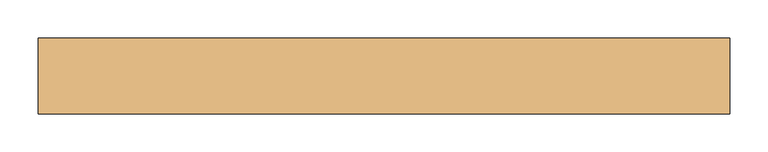
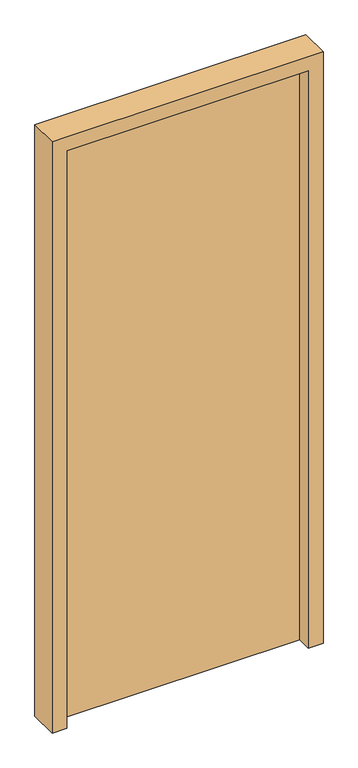
"""IFC4 building model written with IfcOpenShell, lengths in millimetres: door geometry."""

import ifcopenshell
import ifcopenshell.guid

model = None  # the IFC model being written
_history = None  # IfcOwnerHistory: only IFC2X3 demands one
_inside = {}  # id of a spatial element -> (the spatial element, [elements in it])
_under = {}  # id of a project, library or spatial element -> (it, [spatial elements below it])
_declared = {}  # id of a project -> (the project, [libraries it declares])
_typed = {}  # id of a type object -> (the type object, [elements of that type])
_made_of = {}  # id of a material, layer set ... -> (it, [elements and type objects made of it])


def new_model(schema):
    """Start an empty IFC model of exactly this schema.

    Asked for "IFC4X3", IfcOpenShell would pick the latest addendum, in which some entities
    have other attributes; the version numbers below select the first issue.
    IFC2X3 requires an IfcOwnerHistory on every rooted entity: one is made here for all.
    """
    global model, _history
    if schema == "IFC4X3":
        model = ifcopenshell.file(schema_version=(4, 3, 0, 0))
    else:
        model = ifcopenshell.file(schema=schema)
    _inside.clear()
    _under.clear()
    _declared.clear()
    _typed.clear()
    _made_of.clear()
    _history = None
    if model.schema == "IFC2X3":
        org = make("IfcOrganization", Name="unknown")
        user = make(
            "IfcPersonAndOrganization",
            ThePerson=make("IfcPerson", FamilyName="unknown"),
            TheOrganization=org,
        )
        app = make(
            "IfcApplication",
            ApplicationDeveloper=org,
            Version="unknown",
            ApplicationFullName="unknown",
            ApplicationIdentifier="unknown",
        )
        _history = make(
            "IfcOwnerHistory",
            OwningUser=user,
            OwningApplication=app,
            ChangeAction="ADDED",
            CreationDate=0,
        )
    return model


def make(cls, **values):
    """One entity of the class cls with the attributes given. An attribute that is None is left unset."""
    return model.create_entity(
        cls, **{name: value for name, value in values.items() if value is not None}
    )


def rooted(cls, **values):
    """An entity with a GlobalId (a new one), such as an element, a storey or a relation."""
    return make(cls, GlobalId=ifcopenshell.guid.new(), OwnerHistory=_history, **values)


def si_unit(unit_type, name, prefix=None):
    """IfcSIUnit, for example si_unit("LENGTHUNIT", "METRE", prefix="MILLI")."""
    return make("IfcSIUnit", UnitType=unit_type, Prefix=prefix, Name=name)


def assignment(units):
    """IfcUnitAssignment: the units of a project."""
    return None if units is None else make("IfcUnitAssignment", Units=units)


def point(xyz):
    """IfcCartesianPoint."""
    return None if xyz is None else make("IfcCartesianPoint", Coordinates=xyz)


def direction(xyz):
    """IfcDirection."""
    return None if xyz is None else make("IfcDirection", DirectionRatios=xyz)


def frame(location, z_axis=None, x_axis=None):
    """IfcAxis2Placement3D, a coordinate frame: its origin and axes. An axis left out is left unset."""
    return make(
        "IfcAxis2Placement3D",
        Location=point(location),
        Axis=direction(z_axis),
        RefDirection=direction(x_axis),
    )


def origin():
    """The frame at (0, 0, 0) with its axes left unset."""
    return frame((0.0, 0.0, 0.0))


def origin_with_axes():
    """The frame at (0, 0, 0) with the z axis (0, 0, 1) and the x axis (1, 0, 0) written out."""
    return frame((0.0, 0.0, 0.0), z_axis=(0.0, 0.0, 1.0), x_axis=(1.0, 0.0, 0.0))


def place(relative_to, where):
    """IfcLocalPlacement: puts the frame where relative to a parent placement (None: the world)."""
    return make(
        "IfcLocalPlacement", PlacementRelTo=relative_to, RelativePlacement=where
    )


def context(
    kind, dimensions, precision=None, world=None, true_north=None, identifier=None
):
    """IfcGeometricRepresentationContext, for example the 3D "Model" context."""
    return make(
        "IfcGeometricRepresentationContext",
        ContextIdentifier=identifier,
        ContextType=kind,
        CoordinateSpaceDimension=dimensions,
        Precision=precision,
        WorldCoordinateSystem=world,
        TrueNorth=true_north,
    )


def project(units=None, contexts=None):
    """IfcProject with its units and contexts."""
    return rooted(
        "IfcProject",
        Name="project",
        RepresentationContexts=contexts,
        UnitsInContext=assignment(units),
    )


def spatial(cls, under=None, at=None, **own):
    """A site, building, storey or space (cls), placed at a placement, below another one or the project."""
    s = rooted(cls, ObjectPlacement=at, **own)
    if under is not None:
        _under.setdefault(under.id(), (under, []))[1].append(s)
    return s


def polyline(points):
    """IfcPolyline through the points."""
    return make("IfcPolyline", Points=[point(p) for p in points])


def outline(outer, holes=None, kind="AREA"):
    """IfcArbitraryClosedProfileDef: a profile drawn as a closed curve; with holes, ...WithVoids."""
    if holes is None:
        return make("IfcArbitraryClosedProfileDef", ProfileType=kind, OuterCurve=outer)
    return make(
        "IfcArbitraryProfileDefWithVoids",
        ProfileType=kind,
        OuterCurve=outer,
        InnerCurves=holes,
    )


def extrude(swept, where, along, depth):
    """IfcExtrudedAreaSolid: the profile swept, set in the frame where, extruded along a direction by depth."""
    return make(
        "IfcExtrudedAreaSolid",
        SweptArea=swept,
        Position=where,
        ExtrudedDirection=direction(along),
        Depth=depth,
    )


def shape(context_of_items, identifier, shape_type, items):
    """IfcShapeRepresentation: the items that make up one representation, for example the "Body"."""
    return make(
        "IfcShapeRepresentation",
        ContextOfItems=context_of_items,
        RepresentationIdentifier=identifier,
        RepresentationType=shape_type,
        Items=items,
    )


def source(mapping_origin, context_of_items, identifier, shape_type, items):
    """IfcRepresentationMap: a shape defined once, which mapped items show again and again."""
    return make(
        "IfcRepresentationMap",
        MappingOrigin=mapping_origin,
        MappedRepresentation=shape(context_of_items, identifier, shape_type, items),
    )


def transform(
    local_origin,
    x_axis=None,
    y_axis=None,
    z_axis=None,
    scale=None,
    scale2=None,
    scale3=None,
    uniform=True,
):
    """IfcCartesianTransformationOperator3D, or its non-uniform kind. x_axis, y_axis, z_axis: its Axis1, 2, 3."""
    if uniform:
        return make(
            "IfcCartesianTransformationOperator3D",
            Axis1=direction(x_axis),
            Axis2=direction(y_axis),
            LocalOrigin=point(local_origin),
            Scale=scale,
            Axis3=direction(z_axis),
        )
    return make(
        "IfcCartesianTransformationOperator3DnonUniform",
        Axis1=direction(x_axis),
        Axis2=direction(y_axis),
        LocalOrigin=point(local_origin),
        Scale=scale,
        Axis3=direction(z_axis),
        Scale2=scale2,
        Scale3=scale3,
    )


def mapped(mapping_source, mapping_target):
    """IfcMappedItem: shows the shape of a source again, moved by a transform."""
    return make(
        "IfcMappedItem", MappingSource=mapping_source, MappingTarget=mapping_target
    )


def made_of(thing, what):
    """Note that an element or type object is made of a material, layer set ...; save() writes the relation."""
    if what is not None:
        _made_of.setdefault(what.id(), (what, []))[1].append(thing)
    return thing


def element(
    cls,
    number,
    at=None,
    inside=None,
    cuts=None,
    type_object=None,
    material=None,
    context=None,
    identifier="Body",
    shape_type=None,
    held_by="IfcProductDefinitionShape",
    body=None,
    shapes=None,
    **own,
):
    """One element of the class cls, such as IfcWall. Its Tag is "e" and its number.

    at: its placement. inside: the storey or other place that contains it. cuts: it is an
    opening in that element (IfcRelVoidsElement). A single representation is given by context,
    identifier, shape_type and body (its items); several are given by shapes. held_by: the class
    of the entity that holds the representations. save() writes the other relations.
    """
    e = rooted(cls, Tag="e%d" % number, ObjectPlacement=at, **own)
    if body is not None:
        shapes = [shape(context, identifier, shape_type, body)]
    if shapes is not None:
        e.Representation = make(held_by, Representations=shapes)
    if inside is not None:
        _inside.setdefault(inside.id(), (inside, []))[1].append(e)
    if cuts is not None:
        rooted(
            "IfcRelVoidsElement", RelatingBuildingElement=cuts, RelatedOpeningElement=e
        )
    if type_object is not None:
        _typed.setdefault(type_object.id(), (type_object, []))[1].append(e)
    return made_of(e, material)


def aggregate(whole, parts):
    """IfcRelAggregates: a whole, such as a stair, and the parts it consists of."""
    return rooted("IfcRelAggregates", RelatingObject=whole, RelatedObjects=parts)


def save(model, path):
    """Write the relations noted so far, then the file.

    IfcRelAggregates (storeys below a building ...), IfcRelContainedInSpatialStructure (elements
    in a storey), IfcRelDefinesByType, IfcRelAssociatesMaterial and IfcRelDeclares: one each for
    every whole, place, type object, material and project.
    """
    for whole, parts in _under.values():
        aggregate(whole, parts)
    for where, things in _inside.values():
        rooted(
            "IfcRelContainedInSpatialStructure",
            RelatedElements=things,
            RelatingStructure=where,
        )
    for kind, things in _typed.values():
        rooted("IfcRelDefinesByType", RelatedObjects=things, RelatingType=kind)
    for what, things in _made_of.values():
        rooted("IfcRelAssociatesMaterial", RelatedObjects=things, RelatingMaterial=what)
    for by, libraries in _declared.values():
        rooted("IfcRelDeclares", RelatingContext=by, RelatedDefinitions=libraries)
    model.write(path)


def door_4d77744a(model_context):
    return source(origin(), model_context, "Body", "SweptSolid", [
        extrude(outline(polyline([(405.0, 50.0), (405.0, 0.0), (-405.0, 0.0), (-405.0, 50.0), (405.0, 50.0)])), origin_with_axes(), (0.0, 0.0, 1.0), 2050.0),
        extrude(outline(polyline([(0.0, -455.0), (0.0, -405.0), (2050.0, -405.0), (2050.0, 405.0), (0.0, 405.0), (0.0, 455.0), (2100.0, 455.0), (2100.0, -455.0), (0.0, -455.0)])), frame((0.0, -50.0, 0.0), z_axis=(0.0, 1.0, 0.0), x_axis=(0.0, 0.0, 1.0)), (0.0, 0.0, 1.0), 100.0),
    ])


if __name__ == "__main__":
    model = new_model("IFC4")
    model_context = context("Model", 3, world=origin())
    ifc_project = project(units=[si_unit("LENGTHUNIT", "METRE", prefix="MILLI")], contexts=[model_context])
    site = spatial("IfcSite", under=ifc_project)
    building = spatial("IfcBuilding", under=site)
    placement = place(None, origin())
    door_shape = door_4d77744a(model_context)
    element("IfcDoor", 1, at=placement, inside=building, context=model_context, shape_type="MappedRepresentation", body=[
        mapped(door_shape, transform((0.0, 0.0, 0.0), x_axis=(1.0, 0.0, 0.0), y_axis=(0.0, 1.0, 0.0), z_axis=(0.0, 0.0, 1.0))),
    ])
    save(model, "model.ifc")
